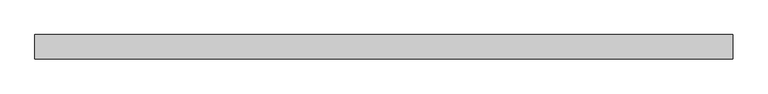
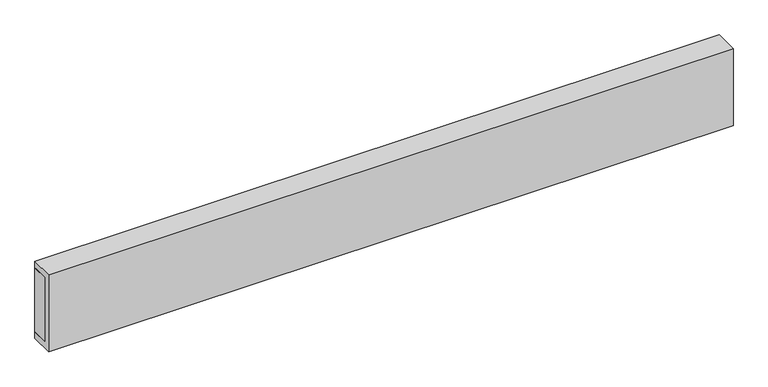
"""IFC4 building model written with IfcOpenShell, lengths in millimetres: beam geometry."""

from ifc_helpers import new_model, si_unit, frame, origin, place, context, project, spatial, polyline, outline, extrude, source, transform, mapped, element, save


def beam_d0394a81(model_context):
    return source(origin(), model_context, "Body", "SweptSolid", [
        extrude(outline(polyline([(1000.0, -15.0), (-1000.0, -15.0), (-1000.0, 35.0), (1000.0, 35.0), (1000.0, -15.0)])), frame((0.0, 0.0, 2026.0), z_axis=(0.0, 0.0, 1.0), x_axis=(1.0, 0.0, 0.0)), (0.0, 0.0, 1.0), 198.0),
        extrude(outline(polyline([(35.0, 2006.0), (-35.0, 2006.0), (-35.0, 2244.0), (35.0, 2244.0), (35.0, 2224.0), (-15.0, 2224.0), (-15.0, 2026.0), (35.0, 2026.0), (35.0, 2006.0)])), frame((-1000.0, 0.0, 0.0), z_axis=(1.0, 0.0, 0.0), x_axis=(0.0, 1.0, 0.0)), (0.0, 0.0, 1.0), 2000.0),
    ])


if __name__ == "__main__":
    model = new_model("IFC4")
    model_context = context("Model", 3, world=origin())
    ifc_project = project(units=[si_unit("LENGTHUNIT", "METRE", prefix="MILLI")], contexts=[model_context])
    site = spatial("IfcSite", under=ifc_project)
    building = spatial("IfcBuilding", under=site)
    placement = place(None, origin())
    beam_shape = beam_d0394a81(model_context)
    element("IfcBeam", 1, at=placement, inside=building, context=model_context, shape_type="MappedRepresentation", body=[
        mapped(beam_shape, transform((0.0, 0.0, 0.0), x_axis=(1.0, 0.0, 0.0), y_axis=(0.0, 1.0, 0.0), z_axis=(0.0, 0.0, 1.0))),
    ])
    save(model, "model.ifc")
